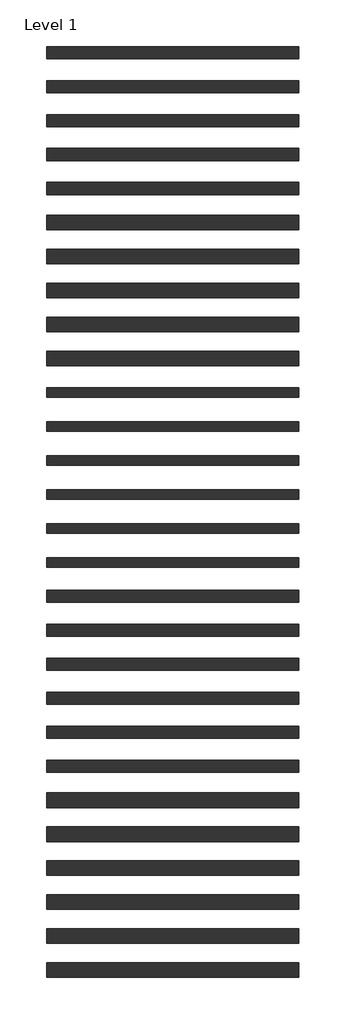
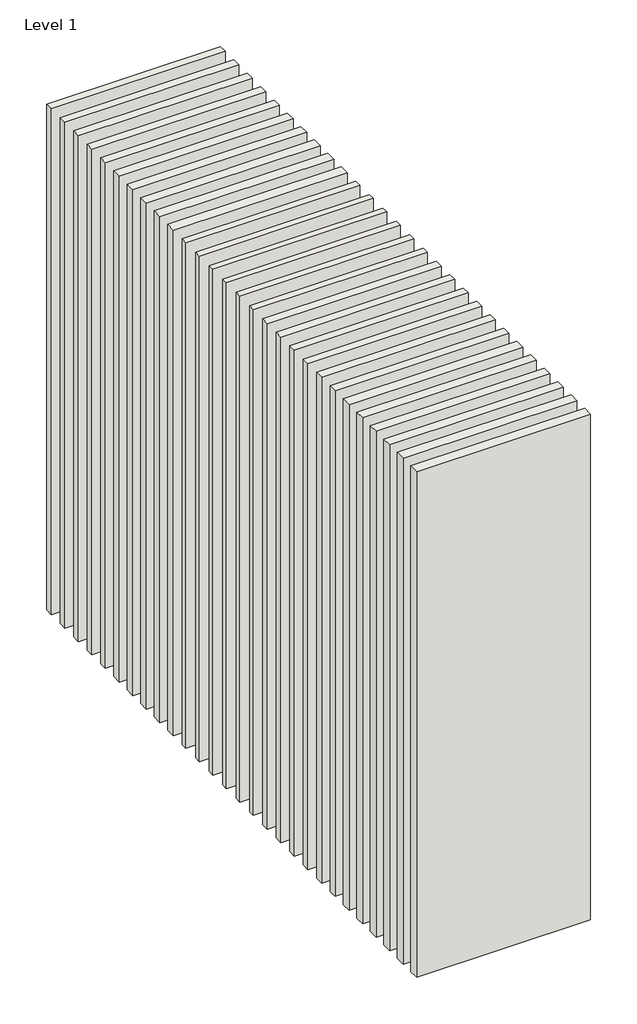
# One storey: 28 walls.
"""IFC4 building model written with IfcOpenShell, lengths in millimetres."""

import ifcopenshell
import ifcopenshell.guid

model = None  # the IFC model being written
_history = None  # IfcOwnerHistory: only IFC2X3 demands one
_inside = {}  # id of a spatial element -> (the spatial element, [elements in it])
_under = {}  # id of a project, library or spatial element -> (it, [spatial elements below it])
_declared = {}  # id of a project -> (the project, [libraries it declares])
_typed = {}  # id of a type object -> (the type object, [elements of that type])
_made_of = {}  # id of a material, layer set ... -> (it, [elements and type objects made of it])


def new_model(schema):
    """Start an empty IFC model of exactly this schema.

    Asked for "IFC4X3", IfcOpenShell would pick the latest addendum, in which some entities
    have other attributes; the version numbers below select the first issue.
    IFC2X3 requires an IfcOwnerHistory on every rooted entity: one is made here for all.
    """
    global model, _history
    if schema == "IFC4X3":
        model = ifcopenshell.file(schema_version=(4, 3, 0, 0))
    else:
        model = ifcopenshell.file(schema=schema)
    _inside.clear()
    _under.clear()
    _declared.clear()
    _typed.clear()
    _made_of.clear()
    _history = None
    if model.schema == "IFC2X3":
        org = make("IfcOrganization", Name="unknown")
        user = make(
            "IfcPersonAndOrganization",
            ThePerson=make("IfcPerson", FamilyName="unknown"),
            TheOrganization=org,
        )
        app = make(
            "IfcApplication",
            ApplicationDeveloper=org,
            Version="unknown",
            ApplicationFullName="unknown",
            ApplicationIdentifier="unknown",
        )
        _history = make(
            "IfcOwnerHistory",
            OwningUser=user,
            OwningApplication=app,
            ChangeAction="ADDED",
            CreationDate=0,
        )
    return model


def make(cls, **values):
    """One entity of the class cls with the attributes given. An attribute that is None is left unset."""
    return model.create_entity(
        cls, **{name: value for name, value in values.items() if value is not None}
    )


def rooted(cls, **values):
    """An entity with a GlobalId (a new one), such as an element, a storey or a relation."""
    return make(cls, GlobalId=ifcopenshell.guid.new(), OwnerHistory=_history, **values)


def si_unit(unit_type, name, prefix=None):
    """IfcSIUnit, for example si_unit("LENGTHUNIT", "METRE", prefix="MILLI")."""
    return make("IfcSIUnit", UnitType=unit_type, Prefix=prefix, Name=name)


def assignment(units):
    """IfcUnitAssignment: the units of a project."""
    return None if units is None else make("IfcUnitAssignment", Units=units)


def point(xyz):
    """IfcCartesianPoint."""
    return None if xyz is None else make("IfcCartesianPoint", Coordinates=xyz)


def direction(xyz):
    """IfcDirection."""
    return None if xyz is None else make("IfcDirection", DirectionRatios=xyz)


def frame(location, z_axis=None, x_axis=None):
    """IfcAxis2Placement3D, a coordinate frame: its origin and axes. An axis left out is left unset."""
    return make(
        "IfcAxis2Placement3D",
        Location=point(location),
        Axis=direction(z_axis),
        RefDirection=direction(x_axis),
    )


def origin():
    """The frame at (0, 0, 0) with its axes left unset."""
    return frame((0.0, 0.0, 0.0))


def origin_with_axes():
    """The frame at (0, 0, 0) with the z axis (0, 0, 1) and the x axis (1, 0, 0) written out."""
    return frame((0.0, 0.0, 0.0), z_axis=(0.0, 0.0, 1.0), x_axis=(1.0, 0.0, 0.0))


def place(relative_to, where):
    """IfcLocalPlacement: puts the frame where relative to a parent placement (None: the world)."""
    return make(
        "IfcLocalPlacement", PlacementRelTo=relative_to, RelativePlacement=where
    )


def context(
    kind, dimensions, precision=None, world=None, true_north=None, identifier=None
):
    """IfcGeometricRepresentationContext, for example the 3D "Model" context."""
    return make(
        "IfcGeometricRepresentationContext",
        ContextIdentifier=identifier,
        ContextType=kind,
        CoordinateSpaceDimension=dimensions,
        Precision=precision,
        WorldCoordinateSystem=world,
        TrueNorth=true_north,
    )


def project(units=None, contexts=None):
    """IfcProject with its units and contexts."""
    return rooted(
        "IfcProject",
        Name="project",
        RepresentationContexts=contexts,
        UnitsInContext=assignment(units),
    )


def spatial(cls, under=None, at=None, **own):
    """A site, building, storey or space (cls), placed at a placement, below another one or the project."""
    s = rooted(cls, ObjectPlacement=at, **own)
    if under is not None:
        _under.setdefault(under.id(), (under, []))[1].append(s)
    return s


def polyline(points):
    """IfcPolyline through the points."""
    return make("IfcPolyline", Points=[point(p) for p in points])


def outline(outer, holes=None, kind="AREA"):
    """IfcArbitraryClosedProfileDef: a profile drawn as a closed curve; with holes, ...WithVoids."""
    if holes is None:
        return make("IfcArbitraryClosedProfileDef", ProfileType=kind, OuterCurve=outer)
    return make(
        "IfcArbitraryProfileDefWithVoids",
        ProfileType=kind,
        OuterCurve=outer,
        InnerCurves=holes,
    )


def extrude(swept, where, along, depth):
    """IfcExtrudedAreaSolid: the profile swept, set in the frame where, extruded along a direction by depth."""
    return make(
        "IfcExtrudedAreaSolid",
        SweptArea=swept,
        Position=where,
        ExtrudedDirection=direction(along),
        Depth=depth,
    )


def shape(context_of_items, identifier, shape_type, items):
    """IfcShapeRepresentation: the items that make up one representation, for example the "Body"."""
    return make(
        "IfcShapeRepresentation",
        ContextOfItems=context_of_items,
        RepresentationIdentifier=identifier,
        RepresentationType=shape_type,
        Items=items,
    )


def made_of(thing, what):
    """Note that an element or type object is made of a material, layer set ...; save() writes the relation."""
    if what is not None:
        _made_of.setdefault(what.id(), (what, []))[1].append(thing)
    return thing


def element(
    cls,
    number,
    at=None,
    inside=None,
    cuts=None,
    type_object=None,
    material=None,
    context=None,
    identifier="Body",
    shape_type=None,
    held_by="IfcProductDefinitionShape",
    body=None,
    shapes=None,
    **own,
):
    """One element of the class cls, such as IfcWall. Its Tag is "e" and its number.

    at: its placement. inside: the storey or other place that contains it. cuts: it is an
    opening in that element (IfcRelVoidsElement). A single representation is given by context,
    identifier, shape_type and body (its items); several are given by shapes. held_by: the class
    of the entity that holds the representations. save() writes the other relations.
    """
    e = rooted(cls, Tag="e%d" % number, ObjectPlacement=at, **own)
    if body is not None:
        shapes = [shape(context, identifier, shape_type, body)]
    if shapes is not None:
        e.Representation = make(held_by, Representations=shapes)
    if inside is not None:
        _inside.setdefault(inside.id(), (inside, []))[1].append(e)
    if cuts is not None:
        rooted(
            "IfcRelVoidsElement", RelatingBuildingElement=cuts, RelatedOpeningElement=e
        )
    if type_object is not None:
        _typed.setdefault(type_object.id(), (type_object, []))[1].append(e)
    return made_of(e, material)


def aggregate(whole, parts):
    """IfcRelAggregates: a whole, such as a stair, and the parts it consists of."""
    return rooted("IfcRelAggregates", RelatingObject=whole, RelatedObjects=parts)


def save(model, path):
    """Write the relations noted so far, then the file.

    IfcRelAggregates (storeys below a building ...), IfcRelContainedInSpatialStructure (elements
    in a storey), IfcRelDefinesByType, IfcRelAssociatesMaterial and IfcRelDeclares: one each for
    every whole, place, type object, material and project.
    """
    for whole, parts in _under.values():
        aggregate(whole, parts)
    for where, things in _inside.values():
        rooted(
            "IfcRelContainedInSpatialStructure",
            RelatedElements=things,
            RelatingStructure=where,
        )
    for kind, things in _typed.values():
        rooted("IfcRelDefinesByType", RelatedObjects=things, RelatingType=kind)
    for what, things in _made_of.values():
        rooted("IfcRelAssociatesMaterial", RelatedObjects=things, RelatingMaterial=what)
    for by, libraries in _declared.values():
        rooted("IfcRelDeclares", RelatingContext=by, RelatedDefinitions=libraries)
    model.write(path)


model = new_model("IFC4")

# Units and contexts
model_context = context("Model", 3, world=origin())
ifc_project = project(units=[si_unit("LENGTHUNIT", "METRE", prefix="MILLI")], contexts=[model_context])

# Site, building, storey
site = spatial("IfcSite", under=ifc_project)
building = spatial("IfcBuilding", under=site)
storey = spatial("IfcBuildingStorey", under=building, Name="Level 1", Elevation=0.0)

# Walls
placement = place(None, origin())
element("IfcWall", 1, at=placement, inside=storey, context=model_context, shape_type="SweptSolid", body=[
    extrude(outline(polyline([(-16904.1464237, 2623.9042935), (-19504.1464237, 2623.9042935), (-19504.1464237, 2748.9042935), (-16904.1464237, 2748.9042935), (-16904.1464237, 2623.9042935)])), origin_with_axes(), (0.0, 0.0, 1.0), 8000.0),
])
element("IfcWall", 2, at=placement, inside=storey, context=model_context, shape_type="SweptSolid", body=[
    extrude(outline(polyline([(-16904.1464237, 2273.9042935), (-19504.1464237, 2273.9042935), (-19504.1464237, 2398.9042935), (-16904.1464237, 2398.9042935), (-16904.1464237, 2273.9042935)])), origin_with_axes(), (0.0, 0.0, 1.0), 8000.0),
])
element("IfcWall", 3, at=placement, inside=storey, context=model_context, shape_type="SweptSolid", body=[
    extrude(outline(polyline([(-16904.1464237, 1911.4042935), (-19504.1464237, 1911.4042935), (-19504.1464237, 2061.4042935), (-16904.1464237, 2061.4042935), (-16904.1464237, 1911.4042935)])), origin_with_axes(), (0.0, 0.0, 1.0), 8000.0),
])
element("IfcWall", 4, at=placement, inside=storey, context=model_context, shape_type="SweptSolid", body=[
    extrude(outline(polyline([(-16904.1464237, 3673.9042935), (-19504.1464237, 3673.9042935), (-19504.1464237, 3798.9042935), (-16904.1464237, 3798.9042935), (-16904.1464237, 3673.9042935)])), origin_with_axes(), (0.0, 0.0, 1.0), 8000.0),
])
element("IfcWall", 5, at=placement, inside=storey, context=model_context, shape_type="SweptSolid", body=[
    extrude(outline(polyline([(-16904.1464237, 3323.9042935), (-19504.1464237, 3323.9042935), (-19504.1464237, 3448.9042935), (-16904.1464237, 3448.9042935), (-16904.1464237, 3323.9042935)])), origin_with_axes(), (0.0, 0.0, 1.0), 8000.0),
])
element("IfcWall", 6, at=placement, inside=storey, context=model_context, shape_type="SweptSolid", body=[
    extrude(outline(polyline([(-16904.1464237, 2973.9042935), (-19504.1464237, 2973.9042935), (-19504.1464237, 3098.9042935), (-16904.1464237, 3098.9042935), (-16904.1464237, 2973.9042935)])), origin_with_axes(), (0.0, 0.0, 1.0), 8000.0),
])
element("IfcWall", 7, at=placement, inside=storey, context=model_context, shape_type="SweptSolid", body=[
    extrude(outline(polyline([(-16904.1464237, 1561.4042935), (-19504.1464237, 1561.4042935), (-19504.1464237, 1711.4042935), (-16904.1464237, 1711.4042935), (-16904.1464237, 1561.4042935)])), origin_with_axes(), (0.0, 0.0, 1.0), 8000.0),
])
element("IfcWall", 8, at=placement, inside=storey, context=model_context, shape_type="SweptSolid", body=[
    extrude(outline(polyline([(-16904.1464237, 1211.4042935), (-19504.1464237, 1211.4042935), (-19504.1464237, 1361.4042935), (-16904.1464237, 1361.4042935), (-16904.1464237, 1211.4042935)])), origin_with_axes(), (0.0, 0.0, 1.0), 8000.0),
])
element("IfcWall", 9, at=placement, inside=storey, context=model_context, shape_type="SweptSolid", body=[
    extrude(outline(polyline([(-16904.1464237, 861.4042935), (-19504.1464237, 861.4042935), (-19504.1464237, 1011.4042935), (-16904.1464237, 1011.4042935), (-16904.1464237, 861.4042935)])), origin_with_axes(), (0.0, 0.0, 1.0), 8000.0),
])
element("IfcWall", 10, at=placement, inside=storey, context=model_context, shape_type="SweptSolid", body=[
    extrude(outline(polyline([(-16904.1464237, 511.4042935), (-19504.1464237, 511.4042935), (-19504.1464237, 661.4042935), (-16904.1464237, 661.4042935), (-16904.1464237, 511.4042935)])), origin_with_axes(), (0.0, 0.0, 1.0), 8000.0),
])
element("IfcWall", 11, at=placement, inside=storey, context=model_context, shape_type="SweptSolid", body=[
    extrude(outline(polyline([(-16904.1464237, 186.4042935), (-19504.1464237, 186.4042935), (-19504.1464237, 286.4042935), (-16904.1464237, 286.4042935), (-16904.1464237, 186.4042935)])), origin_with_axes(), (0.0, 0.0, 1.0), 8000.0),
])
element("IfcWall", 12, at=placement, inside=storey, context=model_context, shape_type="SweptSolid", body=[
    extrude(outline(polyline([(-16904.1464237, -163.5957065), (-19504.1464237, -163.5957065), (-19504.1464237, -63.5957065), (-16904.1464237, -63.5957065), (-16904.1464237, -163.5957065)])), origin_with_axes(), (0.0, 0.0, 1.0), 8000.0),
])
element("IfcWall", 13, at=placement, inside=storey, context=model_context, shape_type="SweptSolid", body=[
    extrude(outline(polyline([(-16904.1464237, -513.5957065), (-19504.1464237, -513.5957065), (-19504.1464237, -413.5957065), (-16904.1464237, -413.5957065), (-16904.1464237, -513.5957065)])), origin_with_axes(), (0.0, 0.0, 1.0), 8000.0),
])
element("IfcWall", 14, at=placement, inside=storey, context=model_context, shape_type="SweptSolid", body=[
    extrude(outline(polyline([(-16904.1464237, -863.5957065), (-19504.1464237, -863.5957065), (-19504.1464237, -763.5957065), (-16904.1464237, -763.5957065), (-16904.1464237, -863.5957065)])), origin_with_axes(), (0.0, 0.0, 1.0), 8000.0),
])
element("IfcWall", 15, at=placement, inside=storey, context=model_context, shape_type="SweptSolid", body=[
    extrude(outline(polyline([(-16904.1464237, -1213.5957065), (-19504.1464237, -1213.5957065), (-19504.1464237, -1113.5957065), (-16904.1464237, -1113.5957065), (-16904.1464237, -1213.5957065)])), origin_with_axes(), (0.0, 0.0, 1.0), 8000.0),
])
element("IfcWall", 16, at=placement, inside=storey, context=model_context, shape_type="SweptSolid", body=[
    extrude(outline(polyline([(-16904.1464237, -1563.5957065), (-19504.1464237, -1563.5957065), (-19504.1464237, -1463.5957065), (-16904.1464237, -1463.5957065), (-16904.1464237, -1563.5957065)])), origin_with_axes(), (0.0, 0.0, 1.0), 8000.0),
])
element("IfcWall", 17, at=placement, inside=storey, context=model_context, shape_type="SweptSolid", body=[
    extrude(outline(polyline([(-16904.1464237, -1926.0957065), (-19504.1464237, -1926.0957065), (-19504.1464237, -1801.0957065), (-16904.1464237, -1801.0957065), (-16904.1464237, -1926.0957065)])), origin_with_axes(), (0.0, 0.0, 1.0), 8000.0),
])
element("IfcWall", 18, at=placement, inside=storey, context=model_context, shape_type="SweptSolid", body=[
    extrude(outline(polyline([(-16904.1464237, -2276.0957065), (-19504.1464237, -2276.0957065), (-19504.1464237, -2151.0957065), (-16904.1464237, -2151.0957065), (-16904.1464237, -2276.0957065)])), origin_with_axes(), (0.0, 0.0, 1.0), 8000.0),
])
element("IfcWall", 19, at=placement, inside=storey, context=model_context, shape_type="SweptSolid", body=[
    extrude(outline(polyline([(-16904.1464237, -2626.0957065), (-19504.1464237, -2626.0957065), (-19504.1464237, -2501.0957065), (-16904.1464237, -2501.0957065), (-16904.1464237, -2626.0957065)])), origin_with_axes(), (0.0, 0.0, 1.0), 8000.0),
])
element("IfcWall", 20, at=placement, inside=storey, context=model_context, shape_type="SweptSolid", body=[
    extrude(outline(polyline([(-16904.1464237, -2976.0957065), (-19504.1464237, -2976.0957065), (-19504.1464237, -2851.0957065), (-16904.1464237, -2851.0957065), (-16904.1464237, -2976.0957065)])), origin_with_axes(), (0.0, 0.0, 1.0), 8000.0),
])
element("IfcWall", 21, at=placement, inside=storey, context=model_context, shape_type="SweptSolid", body=[
    extrude(outline(polyline([(-16904.1464237, -3326.0957065), (-19504.1464237, -3326.0957065), (-19504.1464237, -3201.0957065), (-16904.1464237, -3201.0957065), (-16904.1464237, -3326.0957065)])), origin_with_axes(), (0.0, 0.0, 1.0), 8000.0),
])
element("IfcWall", 22, at=placement, inside=storey, context=model_context, shape_type="SweptSolid", body=[
    extrude(outline(polyline([(-16904.1464237, -3676.0957065), (-19504.1464237, -3676.0957065), (-19504.1464237, -3551.0957065), (-16904.1464237, -3551.0957065), (-16904.1464237, -3676.0957065)])), origin_with_axes(), (0.0, 0.0, 1.0), 8000.0),
])
element("IfcWall", 23, at=placement, inside=storey, context=model_context, shape_type="SweptSolid", body=[
    extrude(outline(polyline([(-16904.1464237, -4038.5957065), (-19504.1464237, -4038.5957065), (-19504.1464237, -3888.5957065), (-16904.1464237, -3888.5957065), (-16904.1464237, -4038.5957065)])), origin_with_axes(), (0.0, 0.0, 1.0), 8000.0),
])
element("IfcWall", 24, at=placement, inside=storey, context=model_context, shape_type="SweptSolid", body=[
    extrude(outline(polyline([(-16904.1464237, -4388.5957065), (-19504.1464237, -4388.5957065), (-19504.1464237, -4238.5957065), (-16904.1464237, -4238.5957065), (-16904.1464237, -4388.5957065)])), origin_with_axes(), (0.0, 0.0, 1.0), 8000.0),
])
element("IfcWall", 25, at=placement, inside=storey, context=model_context, shape_type="SweptSolid", body=[
    extrude(outline(polyline([(-16904.1464237, -4738.5957065), (-19504.1464237, -4738.5957065), (-19504.1464237, -4588.5957065), (-16904.1464237, -4588.5957065), (-16904.1464237, -4738.5957065)])), origin_with_axes(), (0.0, 0.0, 1.0), 8000.0),
])
element("IfcWall", 26, at=placement, inside=storey, context=model_context, shape_type="SweptSolid", body=[
    extrude(outline(polyline([(-16904.1464237, -5088.5957065), (-19504.1464237, -5088.5957065), (-19504.1464237, -4938.5957065), (-16904.1464237, -4938.5957065), (-16904.1464237, -5088.5957065)])), origin_with_axes(), (0.0, 0.0, 1.0), 8000.0),
])
element("IfcWall", 27, at=placement, inside=storey, context=model_context, shape_type="SweptSolid", body=[
    extrude(outline(polyline([(-16904.1464237, -5438.5957065), (-19504.1464237, -5438.5957065), (-19504.1464237, -5288.5957065), (-16904.1464237, -5288.5957065), (-16904.1464237, -5438.5957065)])), origin_with_axes(), (0.0, 0.0, 1.0), 8000.0),
])
element("IfcWall", 28, at=placement, inside=storey, context=model_context, shape_type="SweptSolid", body=[
    extrude(outline(polyline([(-16904.1464237, -5788.5957065), (-19504.1464237, -5788.5957065), (-19504.1464237, -5638.5957065), (-16904.1464237, -5638.5957065), (-16904.1464237, -5788.5957065)])), origin_with_axes(), (0.0, 0.0, 1.0), 8000.0),
])

save(model, "model.ifc")
